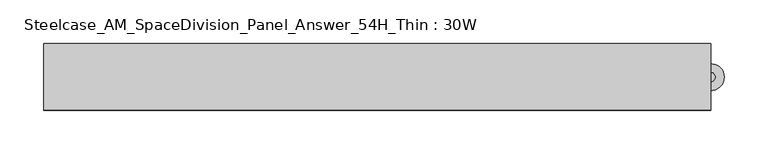
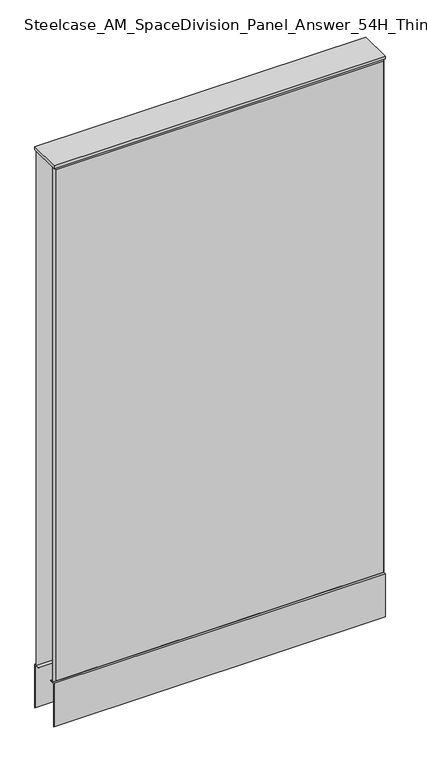
"""IFC4 building model written with IfcOpenShell, lengths in millimetres: furniture geometry, Steelcase_AM_SpaceDivision_Panel_Answer_54H_Thin : 30W."""

from ifc_helpers import new_model, si_unit, point, frame, frame_2d, origin, place, context, project, spatial, polyline, circle_curve, trimmed, segment, composite_curve, outline, extrude, faceted_brep, source, transform, mapped, element, save


def steelcase_am_spacedivision_panel_answer_54h_thin_30w_3d82cbc5(model_context):
    return source(origin(), model_context, "Body", "SolidModel", [
        extrude(outline(polyline([(37.3075215, 119.8575157), (25.4000011, 119.8575157), (25.4000011, 120.65), (38.1000194, 120.65), (38.1000194, 15.494), (37.3075215, 15.494), (37.3075215, 119.8575157)])), frame((-381.0, 0.0, 0.0), z_axis=(1.0, 0.0, 0.0), x_axis=(0.0, 1.0, 0.0)), (0.0, 0.0, 1.0), 762.0),
        extrude(outline(polyline([(-37.3075215, 119.8575157), (-37.3075215, 15.494), (-38.1000194, 15.494), (-38.1000194, 120.65), (-25.4000011, 120.65), (-25.4000011, 119.8575157), (-37.3075215, 119.8575157)])), frame((-381.0, 0.0, 0.0), z_axis=(1.0, 0.0, 0.0), x_axis=(0.0, 1.0, 0.0)), (0.0, 0.0, 1.0), 762.0),
        extrude(outline(composite_curve([segment(trimmed(circle_curve(frame_2d((381.0, -1.94e-05)), 5.08), [point((386.08, -1.94e-05))], [point((375.92, -1.94e-05))], False, "CARTESIAN"), True, "CONTINUOUS"), segment(trimmed(circle_curve(frame_2d((381.0, -1.94e-05)), 5.08), [point((375.92, -1.94e-05))], [point((386.08, -1.94e-05))], False, "CARTESIAN"), True, "CONTINUOUS")], self_intersect=False)), frame((0.0, 0.0, 5.0799671), z_axis=(0.0, 0.0, 1.0), x_axis=(1.0, 0.0, 0.0)), (0.0, 0.0, 1.0), 10.414),
        extrude(outline(composite_curve([segment(trimmed(circle_curve(frame_2d((381.0, -1.94e-05)), 15.24), [point((396.24, -1.94e-05))], [point((365.76, -1.94e-05))], False, "CARTESIAN"), True, "CONTINUOUS"), segment(trimmed(circle_curve(frame_2d((381.0, -1.94e-05)), 15.24), [point((365.76, -1.94e-05))], [point((396.24, -1.94e-05))], False, "CARTESIAN"), True, "CONTINUOUS")], self_intersect=False)), frame((0.0, 0.0, -3.29e-05), z_axis=(0.0, 0.0, 1.0), x_axis=(1.0, 0.0, 0.0)), (0.0, 0.0, 1.0), 5.08),
        faceted_brep([(-376.174, 38.0960552, 1366.774), (376.174, 38.0960552, 1366.774), (376.174, 38.0960552, 125.476), (-376.174, 38.0960552, 125.476), (-381.0, 33.2700552, 1371.6), (-381.0, 33.2700552, 120.65), (381.0, 33.2700552, 120.65), (381.0, 33.2700552, 1371.6)], [[[0, 1, 2, 3]], [[4, 5, 6, 7]], [[4, 7, 1, 0]], [[7, 6, 2, 1]], [[6, 5, 3, 2]], [[5, 4, 0, 3]]]),
        faceted_brep([(376.174, -38.0960552, 1366.774), (-376.174, -38.0960552, 1366.774), (-376.174, -38.0960552, 125.476), (376.174, -38.0960552, 125.476), (381.0, -33.2700552, 1371.6), (381.0, -33.2700552, 120.65), (-381.0, -33.2700552, 120.65), (-381.0, -33.2700552, 1371.6)], [[[0, 1, 2, 3]], [[4, 5, 6, 7]], [[4, 7, 1, 0]], [[7, 6, 2, 1]], [[6, 5, 3, 2]], [[5, 4, 0, 3]]]),
        extrude(outline(polyline([(381.0, 38.1000194), (381.0, -38.1000194), (-381.0, -38.1000194), (-381.0, 38.1000194), (381.0, 38.1000194)])), frame((0.0, 0.0, 1371.6), z_axis=(0.0, 0.0, 1.0), x_axis=(1.0, 0.0, 0.0)), (0.0, 0.0, 1.0), 6.35),
    ])


if __name__ == "__main__":
    model = new_model("IFC4")
    model_context = context("Model", 3, world=origin())
    ifc_project = project(units=[si_unit("LENGTHUNIT", "METRE", prefix="MILLI")], contexts=[model_context])
    site = spatial("IfcSite", under=ifc_project)
    building = spatial("IfcBuilding", under=site)
    placement = place(None, origin())
    steelcase_am_spacedivision_panel_answer_54h_thin_30w_shape = steelcase_am_spacedivision_panel_answer_54h_thin_30w_3d82cbc5(model_context)
    element("IfcFurniture", 1, ObjectType="Steelcase_AM_SpaceDivision_Panel_Answer_54H_Thin : 30W", at=placement, inside=building, context=model_context, shape_type="MappedRepresentation", body=[
        mapped(steelcase_am_spacedivision_panel_answer_54h_thin_30w_shape, transform((0.0, 0.0, 0.0), x_axis=(1.0, 0.0, 0.0), y_axis=(0.0, 1.0, 0.0), z_axis=(0.0, 0.0, 1.0))),
    ])
    save(model, "model.ifc")
